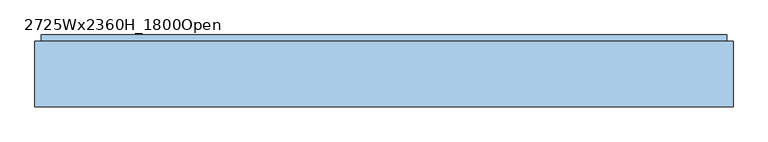
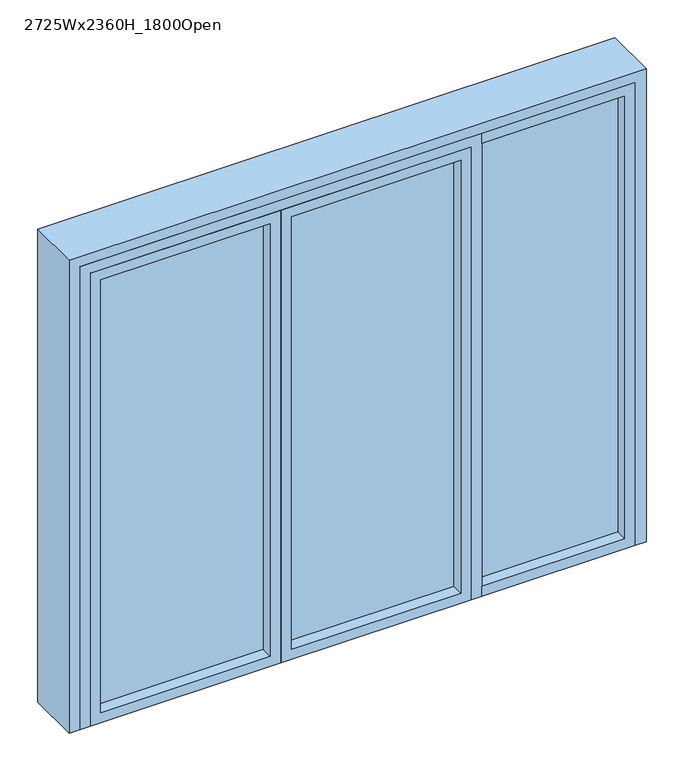
"""IFC4 building model written with IfcOpenShell, lengths in millimetres: window geometry, 2725Wx2360H_1800Open."""

import ifcopenshell
import ifcopenshell.guid

model = None  # the IFC model being written
_history = None  # IfcOwnerHistory: only IFC2X3 demands one
_inside = {}  # id of a spatial element -> (the spatial element, [elements in it])
_under = {}  # id of a project, library or spatial element -> (it, [spatial elements below it])
_declared = {}  # id of a project -> (the project, [libraries it declares])
_typed = {}  # id of a type object -> (the type object, [elements of that type])
_made_of = {}  # id of a material, layer set ... -> (it, [elements and type objects made of it])


def new_model(schema):
    """Start an empty IFC model of exactly this schema.

    Asked for "IFC4X3", IfcOpenShell would pick the latest addendum, in which some entities
    have other attributes; the version numbers below select the first issue.
    IFC2X3 requires an IfcOwnerHistory on every rooted entity: one is made here for all.
    """
    global model, _history
    if schema == "IFC4X3":
        model = ifcopenshell.file(schema_version=(4, 3, 0, 0))
    else:
        model = ifcopenshell.file(schema=schema)
    _inside.clear()
    _under.clear()
    _declared.clear()
    _typed.clear()
    _made_of.clear()
    _history = None
    if model.schema == "IFC2X3":
        org = make("IfcOrganization", Name="unknown")
        user = make(
            "IfcPersonAndOrganization",
            ThePerson=make("IfcPerson", FamilyName="unknown"),
            TheOrganization=org,
        )
        app = make(
            "IfcApplication",
            ApplicationDeveloper=org,
            Version="unknown",
            ApplicationFullName="unknown",
            ApplicationIdentifier="unknown",
        )
        _history = make(
            "IfcOwnerHistory",
            OwningUser=user,
            OwningApplication=app,
            ChangeAction="ADDED",
            CreationDate=0,
        )
    return model


def make(cls, **values):
    """One entity of the class cls with the attributes given. An attribute that is None is left unset."""
    return model.create_entity(
        cls, **{name: value for name, value in values.items() if value is not None}
    )


def rooted(cls, **values):
    """An entity with a GlobalId (a new one), such as an element, a storey or a relation."""
    return make(cls, GlobalId=ifcopenshell.guid.new(), OwnerHistory=_history, **values)


def si_unit(unit_type, name, prefix=None):
    """IfcSIUnit, for example si_unit("LENGTHUNIT", "METRE", prefix="MILLI")."""
    return make("IfcSIUnit", UnitType=unit_type, Prefix=prefix, Name=name)


def assignment(units):
    """IfcUnitAssignment: the units of a project."""
    return None if units is None else make("IfcUnitAssignment", Units=units)


def point(xyz):
    """IfcCartesianPoint."""
    return None if xyz is None else make("IfcCartesianPoint", Coordinates=xyz)


def direction(xyz):
    """IfcDirection."""
    return None if xyz is None else make("IfcDirection", DirectionRatios=xyz)


def frame(location, z_axis=None, x_axis=None):
    """IfcAxis2Placement3D, a coordinate frame: its origin and axes. An axis left out is left unset."""
    return make(
        "IfcAxis2Placement3D",
        Location=point(location),
        Axis=direction(z_axis),
        RefDirection=direction(x_axis),
    )


def origin():
    """The frame at (0, 0, 0) with its axes left unset."""
    return frame((0.0, 0.0, 0.0))


def origin_with_axes():
    """The frame at (0, 0, 0) with the z axis (0, 0, 1) and the x axis (1, 0, 0) written out."""
    return frame((0.0, 0.0, 0.0), z_axis=(0.0, 0.0, 1.0), x_axis=(1.0, 0.0, 0.0))


def place(relative_to, where):
    """IfcLocalPlacement: puts the frame where relative to a parent placement (None: the world)."""
    return make(
        "IfcLocalPlacement", PlacementRelTo=relative_to, RelativePlacement=where
    )


def context(
    kind, dimensions, precision=None, world=None, true_north=None, identifier=None
):
    """IfcGeometricRepresentationContext, for example the 3D "Model" context."""
    return make(
        "IfcGeometricRepresentationContext",
        ContextIdentifier=identifier,
        ContextType=kind,
        CoordinateSpaceDimension=dimensions,
        Precision=precision,
        WorldCoordinateSystem=world,
        TrueNorth=true_north,
    )


def project(units=None, contexts=None):
    """IfcProject with its units and contexts."""
    return rooted(
        "IfcProject",
        Name="project",
        RepresentationContexts=contexts,
        UnitsInContext=assignment(units),
    )


def spatial(cls, under=None, at=None, **own):
    """A site, building, storey or space (cls), placed at a placement, below another one or the project."""
    s = rooted(cls, ObjectPlacement=at, **own)
    if under is not None:
        _under.setdefault(under.id(), (under, []))[1].append(s)
    return s


def polyline(points):
    """IfcPolyline through the points."""
    return make("IfcPolyline", Points=[point(p) for p in points])


def outline(outer, holes=None, kind="AREA"):
    """IfcArbitraryClosedProfileDef: a profile drawn as a closed curve; with holes, ...WithVoids."""
    if holes is None:
        return make("IfcArbitraryClosedProfileDef", ProfileType=kind, OuterCurve=outer)
    return make(
        "IfcArbitraryProfileDefWithVoids",
        ProfileType=kind,
        OuterCurve=outer,
        InnerCurves=holes,
    )


def extrude(swept, where, along, depth):
    """IfcExtrudedAreaSolid: the profile swept, set in the frame where, extruded along a direction by depth."""
    return make(
        "IfcExtrudedAreaSolid",
        SweptArea=swept,
        Position=where,
        ExtrudedDirection=direction(along),
        Depth=depth,
    )


def faces_of(points, faces, orient=None, outer=None):
    """IfcFace entities. A face is a list of loops; a loop is a list of indices into points, from 0.

    orient and outer hold one flag for each loop. By default every Orientation is true, the
    first loop of a face is its IfcFaceOuterBound and the others are IfcFaceBound.
    """
    made = []
    for i, loops in enumerate(faces):
        bounds = []
        for j, loop in enumerate(loops):
            is_outer = j == 0 if outer is None else outer[i][j]
            bounds.append(
                make(
                    "IfcFaceOuterBound" if is_outer else "IfcFaceBound",
                    Bound=make("IfcPolyLoop", Polygon=[points[k] for k in loop]),
                    Orientation=True if orient is None else orient[i][j],
                )
            )
        made.append(make("IfcFace", Bounds=bounds))
    return made


def faceted_brep(points, faces, orient=None, outer=None, voids=None):
    """IfcFacetedBrep: a solid bounded by flat faces; with voids (closed shells), ...WithVoids."""
    shared = [point(p) for p in points]
    hull = make("IfcClosedShell", CfsFaces=faces_of(shared, faces, orient, outer))
    if voids is None:
        return make("IfcFacetedBrep", Outer=hull)
    return make(
        "IfcFacetedBrepWithVoids",
        Outer=hull,
        Voids=[
            make(cls, CfsFaces=faces_of(shared, fs, o, b)) for cls, fs, o, b in voids
        ],
    )


def shape(context_of_items, identifier, shape_type, items):
    """IfcShapeRepresentation: the items that make up one representation, for example the "Body"."""
    return make(
        "IfcShapeRepresentation",
        ContextOfItems=context_of_items,
        RepresentationIdentifier=identifier,
        RepresentationType=shape_type,
        Items=items,
    )


def source(mapping_origin, context_of_items, identifier, shape_type, items):
    """IfcRepresentationMap: a shape defined once, which mapped items show again and again."""
    return make(
        "IfcRepresentationMap",
        MappingOrigin=mapping_origin,
        MappedRepresentation=shape(context_of_items, identifier, shape_type, items),
    )


def transform(
    local_origin,
    x_axis=None,
    y_axis=None,
    z_axis=None,
    scale=None,
    scale2=None,
    scale3=None,
    uniform=True,
):
    """IfcCartesianTransformationOperator3D, or its non-uniform kind. x_axis, y_axis, z_axis: its Axis1, 2, 3."""
    if uniform:
        return make(
            "IfcCartesianTransformationOperator3D",
            Axis1=direction(x_axis),
            Axis2=direction(y_axis),
            LocalOrigin=point(local_origin),
            Scale=scale,
            Axis3=direction(z_axis),
        )
    return make(
        "IfcCartesianTransformationOperator3DnonUniform",
        Axis1=direction(x_axis),
        Axis2=direction(y_axis),
        LocalOrigin=point(local_origin),
        Scale=scale,
        Axis3=direction(z_axis),
        Scale2=scale2,
        Scale3=scale3,
    )


def mapped(mapping_source, mapping_target):
    """IfcMappedItem: shows the shape of a source again, moved by a transform."""
    return make(
        "IfcMappedItem", MappingSource=mapping_source, MappingTarget=mapping_target
    )


def made_of(thing, what):
    """Note that an element or type object is made of a material, layer set ...; save() writes the relation."""
    if what is not None:
        _made_of.setdefault(what.id(), (what, []))[1].append(thing)
    return thing


def element(
    cls,
    number,
    at=None,
    inside=None,
    cuts=None,
    type_object=None,
    material=None,
    context=None,
    identifier="Body",
    shape_type=None,
    held_by="IfcProductDefinitionShape",
    body=None,
    shapes=None,
    **own,
):
    """One element of the class cls, such as IfcWall. Its Tag is "e" and its number.

    at: its placement. inside: the storey or other place that contains it. cuts: it is an
    opening in that element (IfcRelVoidsElement). A single representation is given by context,
    identifier, shape_type and body (its items); several are given by shapes. held_by: the class
    of the entity that holds the representations. save() writes the other relations.
    """
    e = rooted(cls, Tag="e%d" % number, ObjectPlacement=at, **own)
    if body is not None:
        shapes = [shape(context, identifier, shape_type, body)]
    if shapes is not None:
        e.Representation = make(held_by, Representations=shapes)
    if inside is not None:
        _inside.setdefault(inside.id(), (inside, []))[1].append(e)
    if cuts is not None:
        rooted(
            "IfcRelVoidsElement", RelatingBuildingElement=cuts, RelatedOpeningElement=e
        )
    if type_object is not None:
        _typed.setdefault(type_object.id(), (type_object, []))[1].append(e)
    return made_of(e, material)


def aggregate(whole, parts):
    """IfcRelAggregates: a whole, such as a stair, and the parts it consists of."""
    return rooted("IfcRelAggregates", RelatingObject=whole, RelatedObjects=parts)


def save(model, path):
    """Write the relations noted so far, then the file.

    IfcRelAggregates (storeys below a building ...), IfcRelContainedInSpatialStructure (elements
    in a storey), IfcRelDefinesByType, IfcRelAssociatesMaterial and IfcRelDeclares: one each for
    every whole, place, type object, material and project.
    """
    for whole, parts in _under.values():
        aggregate(whole, parts)
    for where, things in _inside.values():
        rooted(
            "IfcRelContainedInSpatialStructure",
            RelatedElements=things,
            RelatingStructure=where,
        )
    for kind, things in _typed.values():
        rooted("IfcRelDefinesByType", RelatedObjects=things, RelatingType=kind)
    for what, things in _made_of.values():
        rooted("IfcRelAssociatesMaterial", RelatedObjects=things, RelatingMaterial=what)
    for by, libraries in _declared.values():
        rooted("IfcRelDeclares", RelatingContext=by, RelatedDefinitions=libraries)
    model.write(path)


def window_2725wx2360h_1800open_3190ec93(model_context):
    return source(origin(), model_context, "Body", "SolidModel", [
        faceted_brep([(-1312.5, 272.0, 0.0), (-1312.5, -8.0, 0.0), (-1362.5, -8.0, 0.0), (-1362.5, 247.0, 0.0), (-1337.5, 247.0, 0.0), (-1337.5, 272.0, 0.0), (1337.5, 272.0, 0.0), (1337.5, 247.0, 0.0), (1362.5, 247.0, 0.0), (1362.5, -8.0, 0.0), (1312.5, -8.0, 0.0), (1312.5, 272.0, 0.0), (-1312.5, 272.0, 2310.0), (-1312.5, -8.0, 2310.0), (-1362.5, -8.0, 2360.0), (1312.5, -8.0, 2310.0), (1362.5, -8.0, 2360.0), (-1362.5, 247.0, 2360.0), (1362.5, 247.0, 2360.0), (1337.5, 247.0, 2335.0), (-1337.5, 247.0, 2335.0), (-1337.5, 272.0, 2335.0), (1337.5, 272.0, 2335.0), (1312.5, 272.0, 2310.0)], [[[0, 1, 2, 3, 4, 5]], [[6, 7, 8, 9, 10, 11]], [[1, 0, 12, 13]], [[14, 2, 1, 13, 15, 10, 9, 16]], [[17, 3, 2, 14]], [[4, 3, 17, 18, 8, 7, 19, 20]], [[5, 4, 20, 21]], [[0, 5, 21, 22, 6, 11, 23, 12]], [[19, 7, 6, 22]], [[16, 9, 8, 18]], [[11, 10, 15, 23]], [[19, 22, 21, 20]], [[12, 23, 15, 13]], [[18, 17, 14, 16]]]),
        extrude(outline(polyline([(0.0, 1312.5), (2310.0, 1312.5), (2310.0, 587.5), (2260.0, 587.5), (2260.0, 1262.5), (50.0, 1262.5), (50.0, 587.5), (0.0, 587.5), (0.0, 1312.5)])), frame((0.0, -8.0, 0.0), z_axis=(0.0, 1.0, 0.0), x_axis=(0.0, 0.0, 1.0)), (0.0, 0.0, 1.0), 100.0),
        extrude(outline(polyline([(2310.0, 587.5), (2310.0, -1312.5), (0.0, -1312.5), (0.0, -1262.5), (2260.0, -1262.5), (2260.0, 537.5), (0.0, 537.5), (0.0, 587.5), (2310.0, 587.5)])), frame((0.0, -8.0, 0.0), z_axis=(0.0, 1.0, 0.0), x_axis=(0.0, 0.0, 1.0)), (0.0, 0.0, 1.0), 100.0),
        extrude(outline(polyline([(1262.5, 67.0), (1262.5, 49.0), (587.5, 49.0), (587.5, 67.0), (1262.5, 67.0)])), frame((0.0, 0.0, 50.0), z_axis=(0.0, 0.0, 1.0), x_axis=(1.0, 0.0, 0.0)), (0.0, 0.0, 1.0), 2210.0),
        extrude(outline(polyline([(487.5, 67.0), (487.5, 49.0), (-312.5, 49.0), (-312.5, 67.0), (487.5, 67.0)])), frame((0.0, 0.0, 50.0), z_axis=(0.0, 0.0, 1.0), x_axis=(1.0, 0.0, 0.0)), (0.0, 0.0, 1.0), 2160.0),
        extrude(outline(polyline([(-412.5, 67.0), (-412.5, 49.0), (-1212.5, 49.0), (-1212.5, 67.0), (-412.5, 67.0)])), frame((0.0, 0.0, 50.0), z_axis=(0.0, 0.0, 1.0), x_axis=(1.0, 0.0, 0.0)), (0.0, 0.0, 1.0), 2160.0),
        extrude(outline(polyline([(2260.0, -362.5), (0.0, -362.5), (0.0, 537.5), (2260.0, 537.5), (2260.0, -362.5)]), holes=[polyline([(2210.0, -312.5), (2210.0, 487.5), (50.0, 487.5), (50.0, -312.5), (2210.0, -312.5)])]), frame((0.0, -8.0, 0.0), z_axis=(0.0, 1.0, 0.0), x_axis=(0.0, 0.0, 1.0)), (0.0, 0.0, 1.0), 100.0),
        extrude(outline(polyline([(2260.0, -362.5), (2260.0, -1262.5), (0.0, -1262.5), (0.0, -362.5), (2260.0, -362.5)]), holes=[polyline([(2210.0, -412.5), (50.0, -412.5), (50.0, -1212.5), (2210.0, -1212.5), (2210.0, -412.5)])]), frame((0.0, -8.0, 0.0), z_axis=(0.0, 1.0, 0.0), x_axis=(0.0, 0.0, 1.0)), (0.0, 0.0, 1.0), 100.0),
        extrude(outline(polyline([(1312.5, 92.0), (-1312.5, 92.0), (-1312.5, 272.0), (1312.5, 272.0), (1312.5, 92.0)])), origin_with_axes(), (0.0, 0.0, 1.0), 10.0),
    ])


if __name__ == "__main__":
    model = new_model("IFC4")
    model_context = context("Model", 3, world=origin())
    ifc_project = project(units=[si_unit("LENGTHUNIT", "METRE", prefix="MILLI")], contexts=[model_context])
    site = spatial("IfcSite", under=ifc_project)
    building = spatial("IfcBuilding", under=site)
    placement = place(None, origin())
    window_2725wx2360h_1800open_shape = window_2725wx2360h_1800open_3190ec93(model_context)
    element("IfcWindow", 1, ObjectType="2725Wx2360H_1800Open", at=placement, inside=building, context=model_context, shape_type="MappedRepresentation", body=[
        mapped(window_2725wx2360h_1800open_shape, transform((0.0, 0.0, 0.0), x_axis=(1.0, 0.0, 0.0), y_axis=(0.0, 1.0, 0.0), z_axis=(0.0, 0.0, 1.0))),
    ])
    save(model, "model.ifc")
